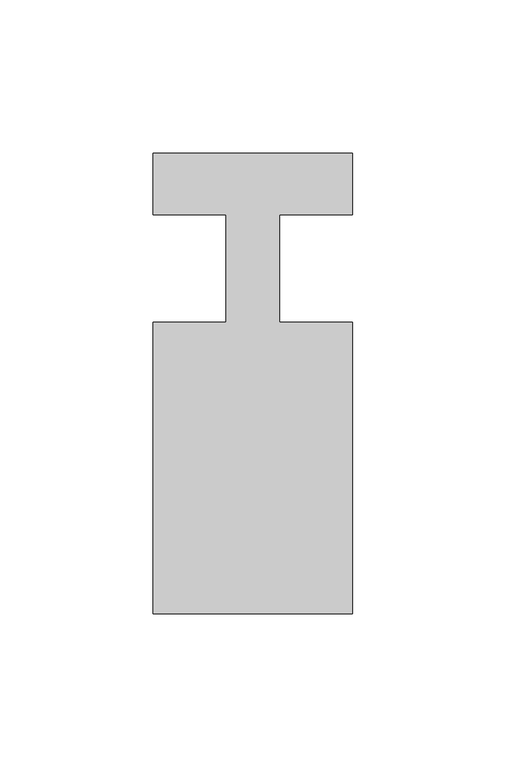
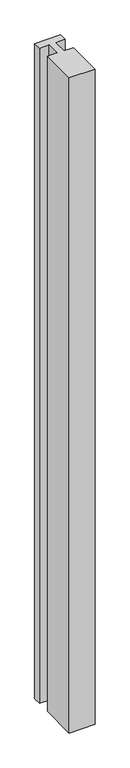
"""IFC4 building model written with IfcOpenShell, lengths in millimetres: member geometry."""

from ifc_helpers import new_model, si_unit, frame, origin, place, context, project, spatial, polyline, outline, extrude, source, transform, mapped, element, save


def member_6b50e9f0(model_context):
    return source(origin(), model_context, "Body", "SweptSolid", [
        extrude(outline(polyline([(0.0, 37.0), (0.0, 17.0), (-23.8125, 17.0), (-23.8125, -18.0), (0.0, -18.0), (0.0, -113.0), (-65.0, -113.0), (-65.0, -18.0), (-41.1875, -18.0), (-41.1875, 17.0), (-65.0, 17.0), (-65.0, 37.0), (0.0, 37.0)])), frame((0.0, 0.0, -1735.0), z_axis=(0.0, 0.0, 1.0), x_axis=(1.0, 0.0, 0.0)), (0.0, 0.0, 1.0), 1735.0),
    ])


if __name__ == "__main__":
    model = new_model("IFC4")
    model_context = context("Model", 3, world=origin())
    ifc_project = project(units=[si_unit("LENGTHUNIT", "METRE", prefix="MILLI")], contexts=[model_context])
    site = spatial("IfcSite", under=ifc_project)
    building = spatial("IfcBuilding", under=site)
    placement = place(None, origin())
    member_shape = member_6b50e9f0(model_context)
    element("IfcMember", 1, at=placement, inside=building, context=model_context, shape_type="MappedRepresentation", body=[
        mapped(member_shape, transform((0.0, 0.0, 0.0), x_axis=(1.0, 0.0, 0.0), y_axis=(0.0, 1.0, 0.0), z_axis=(0.0, 0.0, 1.0))),
    ])
    save(model, "model.ifc")
